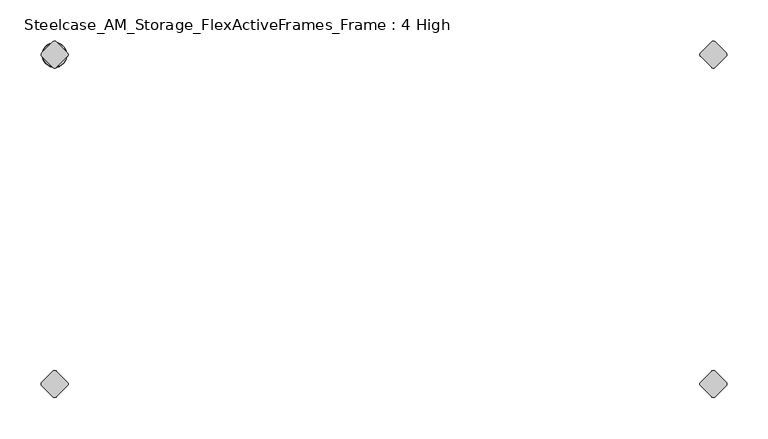
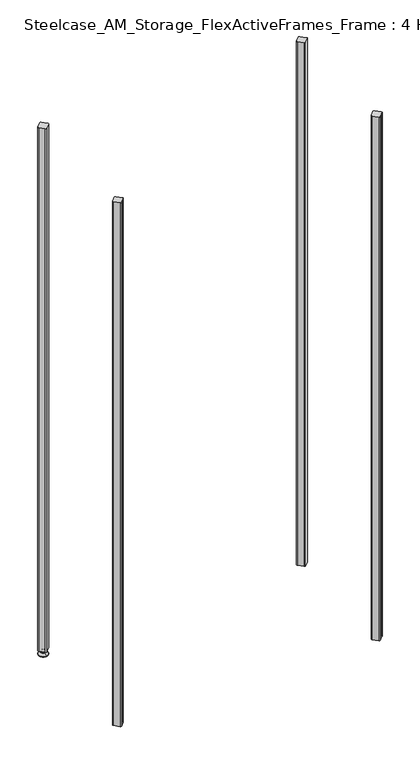
"""IFC4 building model written with IfcOpenShell, lengths in millimetres: furniture geometry, Steelcase_AM_Storage_FlexActiveFrames_Frame : 4 High."""

import ifcopenshell
import ifcopenshell.guid

model = None  # the IFC model being written
_history = None  # IfcOwnerHistory: only IFC2X3 demands one
_inside = {}  # id of a spatial element -> (the spatial element, [elements in it])
_under = {}  # id of a project, library or spatial element -> (it, [spatial elements below it])
_declared = {}  # id of a project -> (the project, [libraries it declares])
_typed = {}  # id of a type object -> (the type object, [elements of that type])
_made_of = {}  # id of a material, layer set ... -> (it, [elements and type objects made of it])


def new_model(schema):
    """Start an empty IFC model of exactly this schema.

    Asked for "IFC4X3", IfcOpenShell would pick the latest addendum, in which some entities
    have other attributes; the version numbers below select the first issue.
    IFC2X3 requires an IfcOwnerHistory on every rooted entity: one is made here for all.
    """
    global model, _history
    if schema == "IFC4X3":
        model = ifcopenshell.file(schema_version=(4, 3, 0, 0))
    else:
        model = ifcopenshell.file(schema=schema)
    _inside.clear()
    _under.clear()
    _declared.clear()
    _typed.clear()
    _made_of.clear()
    _history = None
    if model.schema == "IFC2X3":
        org = make("IfcOrganization", Name="unknown")
        user = make(
            "IfcPersonAndOrganization",
            ThePerson=make("IfcPerson", FamilyName="unknown"),
            TheOrganization=org,
        )
        app = make(
            "IfcApplication",
            ApplicationDeveloper=org,
            Version="unknown",
            ApplicationFullName="unknown",
            ApplicationIdentifier="unknown",
        )
        _history = make(
            "IfcOwnerHistory",
            OwningUser=user,
            OwningApplication=app,
            ChangeAction="ADDED",
            CreationDate=0,
        )
    return model


def make(cls, **values):
    """One entity of the class cls with the attributes given. An attribute that is None is left unset."""
    return model.create_entity(
        cls, **{name: value for name, value in values.items() if value is not None}
    )


def rooted(cls, **values):
    """An entity with a GlobalId (a new one), such as an element, a storey or a relation."""
    return make(cls, GlobalId=ifcopenshell.guid.new(), OwnerHistory=_history, **values)


def si_unit(unit_type, name, prefix=None):
    """IfcSIUnit, for example si_unit("LENGTHUNIT", "METRE", prefix="MILLI")."""
    return make("IfcSIUnit", UnitType=unit_type, Prefix=prefix, Name=name)


def assignment(units):
    """IfcUnitAssignment: the units of a project."""
    return None if units is None else make("IfcUnitAssignment", Units=units)


def point(xyz):
    """IfcCartesianPoint."""
    return None if xyz is None else make("IfcCartesianPoint", Coordinates=xyz)


def direction(xyz):
    """IfcDirection."""
    return None if xyz is None else make("IfcDirection", DirectionRatios=xyz)


def frame(location, z_axis=None, x_axis=None):
    """IfcAxis2Placement3D, a coordinate frame: its origin and axes. An axis left out is left unset."""
    return make(
        "IfcAxis2Placement3D",
        Location=point(location),
        Axis=direction(z_axis),
        RefDirection=direction(x_axis),
    )


def frame_2d(location, x_axis=None):
    """IfcAxis2Placement2D, a coordinate frame in the plane: its origin and x axis."""
    return make(
        "IfcAxis2Placement2D", Location=point(location), RefDirection=direction(x_axis)
    )


def origin():
    """The frame at (0, 0, 0) with its axes left unset."""
    return frame((0.0, 0.0, 0.0))


def place(relative_to, where):
    """IfcLocalPlacement: puts the frame where relative to a parent placement (None: the world)."""
    return make(
        "IfcLocalPlacement", PlacementRelTo=relative_to, RelativePlacement=where
    )


def context(
    kind, dimensions, precision=None, world=None, true_north=None, identifier=None
):
    """IfcGeometricRepresentationContext, for example the 3D "Model" context."""
    return make(
        "IfcGeometricRepresentationContext",
        ContextIdentifier=identifier,
        ContextType=kind,
        CoordinateSpaceDimension=dimensions,
        Precision=precision,
        WorldCoordinateSystem=world,
        TrueNorth=true_north,
    )


def project(units=None, contexts=None):
    """IfcProject with its units and contexts."""
    return rooted(
        "IfcProject",
        Name="project",
        RepresentationContexts=contexts,
        UnitsInContext=assignment(units),
    )


def spatial(cls, under=None, at=None, **own):
    """A site, building, storey or space (cls), placed at a placement, below another one or the project."""
    s = rooted(cls, ObjectPlacement=at, **own)
    if under is not None:
        _under.setdefault(under.id(), (under, []))[1].append(s)
    return s


def polyline(points):
    """IfcPolyline through the points."""
    return make("IfcPolyline", Points=[point(p) for p in points])


def circle_curve(where, radius):
    """IfcCircle in the frame where."""
    return make("IfcCircle", Position=where, Radius=radius)


def ellipse_curve(where, semi_axis1, semi_axis2):
    """IfcEllipse in the frame where."""
    return make(
        "IfcEllipse", Position=where, SemiAxis1=semi_axis1, SemiAxis2=semi_axis2
    )


def trimmed(basis, trim1, trim2, sense, master):
    """IfcTrimmedCurve: the piece of a basis curve between two trims."""
    return make(
        "IfcTrimmedCurve",
        BasisCurve=basis,
        Trim1=trim1,
        Trim2=trim2,
        SenseAgreement=sense,
        MasterRepresentation=master,
    )


def segment(curve, same_sense, transition):
    """IfcCompositeCurveSegment."""
    return make(
        "IfcCompositeCurveSegment",
        Transition=transition,
        SameSense=same_sense,
        ParentCurve=curve,
    )


def composite_curve(segments, self_intersect=None):
    """IfcCompositeCurve: segments joined end to end."""
    return make("IfcCompositeCurve", Segments=segments, SelfIntersect=self_intersect)


def outline(outer, holes=None, kind="AREA"):
    """IfcArbitraryClosedProfileDef: a profile drawn as a closed curve; with holes, ...WithVoids."""
    if holes is None:
        return make("IfcArbitraryClosedProfileDef", ProfileType=kind, OuterCurve=outer)
    return make(
        "IfcArbitraryProfileDefWithVoids",
        ProfileType=kind,
        OuterCurve=outer,
        InnerCurves=holes,
    )


def extrude(swept, where, along, depth):
    """IfcExtrudedAreaSolid: the profile swept, set in the frame where, extruded along a direction by depth."""
    return make(
        "IfcExtrudedAreaSolid",
        SweptArea=swept,
        Position=where,
        ExtrudedDirection=direction(along),
        Depth=depth,
    )


def shape(context_of_items, identifier, shape_type, items):
    """IfcShapeRepresentation: the items that make up one representation, for example the "Body"."""
    return make(
        "IfcShapeRepresentation",
        ContextOfItems=context_of_items,
        RepresentationIdentifier=identifier,
        RepresentationType=shape_type,
        Items=items,
    )


def source(mapping_origin, context_of_items, identifier, shape_type, items):
    """IfcRepresentationMap: a shape defined once, which mapped items show again and again."""
    return make(
        "IfcRepresentationMap",
        MappingOrigin=mapping_origin,
        MappedRepresentation=shape(context_of_items, identifier, shape_type, items),
    )


def transform(
    local_origin,
    x_axis=None,
    y_axis=None,
    z_axis=None,
    scale=None,
    scale2=None,
    scale3=None,
    uniform=True,
):
    """IfcCartesianTransformationOperator3D, or its non-uniform kind. x_axis, y_axis, z_axis: its Axis1, 2, 3."""
    if uniform:
        return make(
            "IfcCartesianTransformationOperator3D",
            Axis1=direction(x_axis),
            Axis2=direction(y_axis),
            LocalOrigin=point(local_origin),
            Scale=scale,
            Axis3=direction(z_axis),
        )
    return make(
        "IfcCartesianTransformationOperator3DnonUniform",
        Axis1=direction(x_axis),
        Axis2=direction(y_axis),
        LocalOrigin=point(local_origin),
        Scale=scale,
        Axis3=direction(z_axis),
        Scale2=scale2,
        Scale3=scale3,
    )


def mapped(mapping_source, mapping_target):
    """IfcMappedItem: shows the shape of a source again, moved by a transform."""
    return make(
        "IfcMappedItem", MappingSource=mapping_source, MappingTarget=mapping_target
    )


def made_of(thing, what):
    """Note that an element or type object is made of a material, layer set ...; save() writes the relation."""
    if what is not None:
        _made_of.setdefault(what.id(), (what, []))[1].append(thing)
    return thing


def element(
    cls,
    number,
    at=None,
    inside=None,
    cuts=None,
    type_object=None,
    material=None,
    context=None,
    identifier="Body",
    shape_type=None,
    held_by="IfcProductDefinitionShape",
    body=None,
    shapes=None,
    **own,
):
    """One element of the class cls, such as IfcWall. Its Tag is "e" and its number.

    at: its placement. inside: the storey or other place that contains it. cuts: it is an
    opening in that element (IfcRelVoidsElement). A single representation is given by context,
    identifier, shape_type and body (its items); several are given by shapes. held_by: the class
    of the entity that holds the representations. save() writes the other relations.
    """
    e = rooted(cls, Tag="e%d" % number, ObjectPlacement=at, **own)
    if body is not None:
        shapes = [shape(context, identifier, shape_type, body)]
    if shapes is not None:
        e.Representation = make(held_by, Representations=shapes)
    if inside is not None:
        _inside.setdefault(inside.id(), (inside, []))[1].append(e)
    if cuts is not None:
        rooted(
            "IfcRelVoidsElement", RelatingBuildingElement=cuts, RelatedOpeningElement=e
        )
    if type_object is not None:
        _typed.setdefault(type_object.id(), (type_object, []))[1].append(e)
    return made_of(e, material)


def aggregate(whole, parts):
    """IfcRelAggregates: a whole, such as a stair, and the parts it consists of."""
    return rooted("IfcRelAggregates", RelatingObject=whole, RelatedObjects=parts)


def save(model, path):
    """Write the relations noted so far, then the file.

    IfcRelAggregates (storeys below a building ...), IfcRelContainedInSpatialStructure (elements
    in a storey), IfcRelDefinesByType, IfcRelAssociatesMaterial and IfcRelDeclares: one each for
    every whole, place, type object, material and project.
    """
    for whole, parts in _under.values():
        aggregate(whole, parts)
    for where, things in _inside.values():
        rooted(
            "IfcRelContainedInSpatialStructure",
            RelatedElements=things,
            RelatingStructure=where,
        )
    for kind, things in _typed.values():
        rooted("IfcRelDefinesByType", RelatedObjects=things, RelatingType=kind)
    for what, things in _made_of.values():
        rooted("IfcRelAssociatesMaterial", RelatedObjects=things, RelatingMaterial=what)
    for by, libraries in _declared.values():
        rooted("IfcRelDeclares", RelatingContext=by, RelatedDefinitions=libraries)
    model.write(path)


def plane_surface(at):
    """IfcPlane: the flat surface through the origin of the frame at, square to its z axis."""
    return make("IfcPlane", Position=at)


def cylinder_surface(at, radius):
    """IfcCylindricalSurface: all points at the distance radius from the z axis of the frame at."""
    return make("IfcCylindricalSurface", Position=at, Radius=radius)


def revolved_surface(curve, axis_point, axis_direction):
    """IfcSurfaceOfRevolution: the curve turned about the line through axis_point along axis_direction."""
    return make(
        "IfcSurfaceOfRevolution",
        SweptCurve=make("IfcArbitraryOpenProfileDef", ProfileType="CURVE", Curve=curve),
        AxisPosition=make("IfcAxis1Placement", Location=point(axis_point), Axis=direction(axis_direction)),
    )


def advanced_brep(points, edges, surfaces, faces):
    """IfcAdvancedBrep: a solid bounded by faces that lie on surfaces and meet in shared edges.

    An edge is (start, end): straight between two places in points (the first is 0);
    or (start, end, curve); or (start, end, curve, False) where it runs against its curve.
    A face is (place in surfaces, loops), or (place, loops, False) where it looks against
    its surface's normal. A loop lists edges by number (the first is 1), with a minus sign
    where the edge is run from its end to its start. The first loop is the outer one.
    """
    corners = [point(p) for p in points]
    vertices = [make("IfcVertexPoint", VertexGeometry=c) for c in corners]
    made = []
    for start, end, *more in edges:
        made.append(
            make(
                "IfcEdgeCurve",
                EdgeStart=vertices[start],
                EdgeEnd=vertices[end],
                EdgeGeometry=more[0] if more else make("IfcPolyline", Points=[corners[start], corners[end]]),
                SameSense=more[1] if len(more) > 1 else True,
            )
        )
    hull = []
    for where, loops, *sense in faces:
        bounds = []
        for j, loop in enumerate(loops):
            ring = [make("IfcOrientedEdge", EdgeElement=made[abs(k) - 1], Orientation=k > 0) for k in loop]
            bounds.append(
                make(
                    "IfcFaceOuterBound" if j == 0 else "IfcFaceBound",
                    Bound=make("IfcEdgeLoop", EdgeList=ring),
                    Orientation=True,
                )
            )
        hull.append(make("IfcAdvancedFace", Bounds=bounds, FaceSurface=surfaces[where], SameSense=sense[0] if sense else True))
    return make("IfcAdvancedBrep", Outer=make("IfcClosedShell", CfsFaces=hull))


def steelcase_am_storage_flexactiveframes_frame_4_high_6aa34a74(model_context):
    return source(origin(), model_context, "Body", "SolidModel", [
        advanced_brep(
        [(0.0, 3.999659, 15.9766), (0.0, -3.999659, 15.9766), (0.0, 0.0, 15.9766), (0.0, 3.999659, 12.6000054), (0.0, -3.999659, 12.6000054), (0.0, 5.8601455, 12.6000054), (0.0, -5.8601455, 12.6000054), (0.0, 6.4951462, 11.9650074), (0.0, -6.4951462, 11.9650074), (0.0, 6.4951462, 9.0000124), (0.0, -6.4951462, 9.0000124), (0.0, 8.7421976, 9.0000124), (0.0, -8.7421976, 9.0000124), (0.0, 14.7060077, 2.3275608), (0.0, -14.7060077, 2.3275608), (0.0, 13.664601, 0.0), (0.0, -13.664601, 0.0), (0.0, 0.0, 0.0)],
        [
            (0, 1, circle_curve(frame((0.0, 0.0, 15.9766), z_axis=(0.0, 0.0, 1.0), x_axis=(0.0, -1.0, 0.0)), 3.999659)),
            (1, 2),
            (2, 0),
            (1, 0, circle_curve(frame((0.0, 0.0, 15.9766), z_axis=(0.0, 0.0, 1.0), x_axis=(0.0, -1.0, 0.0)), 3.999659)),
            (3, 4, circle_curve(frame((0.0, 0.0, 12.6000054), z_axis=(0.0, 0.0, 1.0), x_axis=(0.0, -1.0, 0.0)), 3.999659)),
            (4, 1),
            (0, 3),
            (4, 3, circle_curve(frame((0.0, 0.0, 12.6000054), z_axis=(0.0, 0.0, 1.0), x_axis=(0.0, -1.0, 0.0)), 3.999659)),
            (5, 6, circle_curve(frame((0.0, 0.0, 12.6000054), z_axis=(0.0, 0.0, 1.0), x_axis=(0.0, -1.0, 0.0)), 5.8601455)),
            (6, 4),
            (3, 5),
            (6, 5, circle_curve(frame((0.0, 0.0, 12.6000054), z_axis=(0.0, 0.0, 1.0), x_axis=(0.0, -1.0, 0.0)), 5.8601455)),
            (7, 8, circle_curve(frame((0.0, 0.0, 11.9650074), z_axis=(0.0, 0.0, 1.0), x_axis=(0.0, -1.0, 0.0)), 6.4951462)),
            (8, 6, circle_curve(frame((0.0, -5.8601462, 11.9650074), z_axis=(-1.0, 0.0, 0.0), x_axis=(0.0, 1.0, 0.0)), 0.635)),
            (5, 7, circle_curve(frame((0.0, 5.8601462, 11.9650074), z_axis=(-1.0, 0.0, 0.0), x_axis=(0.0, -1.0, 0.0)), 0.635)),
            (8, 7, circle_curve(frame((0.0, 0.0, 11.9650074), z_axis=(0.0, 0.0, 1.0), x_axis=(0.0, -1.0, 0.0)), 6.4951462)),
            (9, 10, circle_curve(frame((0.0, 0.0, 9.0000124), z_axis=(0.0, 0.0, 1.0), x_axis=(0.0, -1.0, 0.0)), 6.4951462)),
            (10, 8),
            (7, 9),
            (10, 9, circle_curve(frame((0.0, 0.0, 9.0000124), z_axis=(0.0, 0.0, 1.0), x_axis=(0.0, -1.0, 0.0)), 6.4951462)),
            (11, 12, circle_curve(frame((0.0, 0.0, 9.0000124), z_axis=(0.0, 0.0, 1.0), x_axis=(0.0, -1.0, 0.0)), 8.7421976)),
            (12, 10),
            (9, 11),
            (12, 11, circle_curve(frame((0.0, 0.0, 9.0000124), z_axis=(0.0, 0.0, 1.0), x_axis=(0.0, -1.0, 0.0)), 8.7421976)),
            (13, 14, circle_curve(frame((0.0, 0.0, 2.3275608), z_axis=(0.0, 0.0, 1.0), x_axis=(0.0, -1.0, 0.0)), 14.7060077)),
            (14, 12),
            (11, 13),
            (14, 13, circle_curve(frame((0.0, 0.0, 2.3275608), z_axis=(0.0, 0.0, 1.0), x_axis=(0.0, -1.0, 0.0)), 14.7060077)),
            (15, 16, circle_curve(frame((0.0, 0.0, 0.0), z_axis=(0.0, 0.0, 1.0), x_axis=(0.0, -1.0, 0.0)), 13.664601)),
            (16, 14, circle_curve(frame((0.0, -13.664601, 1.3967556), z_axis=(-1.0, 0.0, 0.0), x_axis=(0.0, 1.0, 0.0)), 1.3967556)),
            (13, 15, circle_curve(frame((0.0, 13.664601, 1.3967556), z_axis=(-1.0, 0.0, 0.0), x_axis=(0.0, -1.0, 0.0)), 1.3967556)),
            (16, 15, circle_curve(frame((0.0, 0.0, 0.0), z_axis=(0.0, 0.0, 1.0), x_axis=(0.0, -1.0, 0.0)), 13.664601)),
            (17, 16),
            (15, 17),
        ],
        [
            plane_surface(frame((0.0, 0.0, 15.9766), z_axis=(0.0, 0.0, 1.0), x_axis=(0.0, -1.0, 0.0))),
            cylinder_surface(frame((0.0, 0.0, -4.132372), z_axis=(0.0, 0.0, -1.0), x_axis=(0.0, -1.0, 0.0)), 3.999659),
            plane_surface(frame((0.0, 0.0, 12.6000054), z_axis=(0.0, 0.0, 1.0), x_axis=(0.0, -1.0, 0.0))),
            revolved_surface(trimmed(ellipse_curve(frame((0.0, -5.8601462, 11.9650074), z_axis=(1.0, 0.0, 0.0), x_axis=(0.0, 1.0, 0.0)), 0.635, 0.635), [point((0.0, -5.8601455, 12.6000074))], [point((0.0, -6.4951462, 11.9650074))], True, "CARTESIAN"), (0.0, 0.0, -4.132372), (0.0, 0.0, -1.0)),
            cylinder_surface(frame((0.0, 0.0, -4.132372), z_axis=(0.0, 0.0, -1.0), x_axis=(0.0, -1.0, 0.0)), 6.4951462),
            plane_surface(frame((0.0, 0.0, 9.0000124), z_axis=(0.0, 0.0, 1.0), x_axis=(0.0, -1.0, 0.0))),
            revolved_surface(polyline([(0.0, -8.7421976, 9.0000124), (0.0, -14.7060077, 2.3275608)]), (0.0, 0.0, -4.132372), (0.0, 0.0, -1.0)),
            revolved_surface(trimmed(ellipse_curve(frame((0.0, -13.664601, 1.3967556), z_axis=(1.0, 0.0, 0.0), x_axis=(0.0, 1.0, 0.0)), 1.3967556, 1.3967556), [point((0.0, -14.7060077, 2.3275608))], [point((0.0, -13.664601, 0.0))], True, "CARTESIAN"), (0.0, 0.0, -4.132372), (0.0, 0.0, -1.0)),
            plane_surface(frame((0.0, 0.0, 0.0), z_axis=(0.0, 0.0, -1.0), x_axis=(0.0, -1.0, 0.0))),
        ],
        [
            (0, [[1, 2, 3]]),
            (0, [[4, -3, -2]]),
            (1, [[5, 6, -1, 7]]),
            (1, [[8, -7, -4, -6]]),
            (2, [[9, 10, -5, 11]]),
            (2, [[12, -11, -8, -10]]),
            (3, [[13, 14, -9, 15]]),
            (3, [[16, -15, -12, -14]]),
            (4, [[17, 18, -13, 19]]),
            (4, [[20, -19, -16, -18]]),
            (5, [[21, 22, -17, 23]]),
            (5, [[24, -23, -20, -22]]),
            (6, [[25, 26, -21, 27]]),
            (6, [[28, -27, -24, -26]]),
            (7, [[29, 30, -25, 31]]),
            (7, [[32, -31, -28, -30]]),
            (8, [[33, -29, 34]]),
            (8, [[-34, -32, -33]]),
        ],
    ),
        extrude(outline(composite_curve([segment(polyline([(-2.245064, -15.4326055), (-15.4326055, -2.245064)]), True, "CONTINUOUS"), segment(trimmed(circle_curve(frame_2d((-13.1875415, 0.0)), 3.175), [point((-15.4326055, -2.245064))], [point((-15.4326055, 2.245064))], False, "CARTESIAN"), True, "CONTINUOUS"), segment(polyline([(-15.4326055, 2.245064), (-2.245064, 15.4326055)]), True, "CONTINUOUS"), segment(trimmed(circle_curve(frame_2d((0.0, 13.1875415)), 3.175), [point((-2.245064, 15.4326055))], [point((2.245064, 15.4326055))], False, "CARTESIAN"), True, "CONTINUOUS"), segment(polyline([(2.245064, 15.4326055), (15.4326055, 2.245064)]), True, "CONTINUOUS"), segment(trimmed(circle_curve(frame_2d((13.1875415, 0.0)), 3.175), [point((15.4326055, 2.245064))], [point((15.4326055, -2.245064))], False, "CARTESIAN"), True, "CONTINUOUS"), segment(polyline([(15.4326055, -2.245064), (2.245064, -15.4326055)]), True, "CONTINUOUS"), segment(trimmed(circle_curve(frame_2d((0.0, -13.1875415)), 3.175), [point((2.245064, -15.4326055))], [point((-2.245064, -15.4326055))], False, "CARTESIAN"), True, "CONTINUOUS")], self_intersect=False)), frame((0.0, 0.0, 15.9766), z_axis=(0.0, 0.0, 1.0), x_axis=(1.0, 0.0, 0.0)), (0.0, 0.0, 1.0), 1709.9534),
        extrude(outline(composite_curve([segment(trimmed(circle_curve(frame_2d((800.1, -13.1875415)), 3.175), [point((802.345064, -15.4326055))], [point((797.854936, -15.4326055))], False, "CARTESIAN"), True, "CONTINUOUS"), segment(polyline([(797.854936, -15.4326055), (784.6673945, -2.245064)]), True, "CONTINUOUS"), segment(trimmed(circle_curve(frame_2d((786.9124585, 0.0)), 3.175), [point((784.6673945, -2.245064))], [point((784.6673945, 2.245064))], False, "CARTESIAN"), True, "CONTINUOUS"), segment(polyline([(784.6673945, 2.245064), (797.854936, 15.4326055)]), True, "CONTINUOUS"), segment(trimmed(circle_curve(frame_2d((800.1, 13.1875415)), 3.175), [point((797.854936, 15.4326055))], [point((802.345064, 15.4326055))], False, "CARTESIAN"), True, "CONTINUOUS"), segment(polyline([(802.345064, 15.4326055), (815.5326055, 2.245064)]), True, "CONTINUOUS"), segment(trimmed(circle_curve(frame_2d((813.2875415, 0.0)), 3.175), [point((815.5326055, 2.245064))], [point((815.5326055, -2.245064))], False, "CARTESIAN"), True, "CONTINUOUS"), segment(polyline([(815.5326055, -2.245064), (802.345064, -15.4326055)]), True, "CONTINUOUS")], self_intersect=False)), frame((0.0, 0.0, 15.9766), z_axis=(0.0, 0.0, 1.0), x_axis=(1.0, 0.0, 0.0)), (0.0, 0.0, 1.0), 1709.9534),
        extrude(outline(composite_curve([segment(polyline([(802.345064, -384.6173945), (815.5326055, -397.804936)]), True, "CONTINUOUS"), segment(trimmed(circle_curve(frame_2d((813.2875415, -400.05)), 3.175), [point((815.5326055, -397.804936))], [point((815.5326055, -402.295064))], False, "CARTESIAN"), True, "CONTINUOUS"), segment(polyline([(815.5326055, -402.295064), (802.345064, -415.4826055)]), True, "CONTINUOUS"), segment(trimmed(circle_curve(frame_2d((800.1, -413.2375415)), 3.175), [point((802.345064, -415.4826055))], [point((797.854936, -415.4826055))], False, "CARTESIAN"), True, "CONTINUOUS"), segment(polyline([(797.854936, -415.4826055), (784.6673945, -402.295064)]), True, "CONTINUOUS"), segment(trimmed(circle_curve(frame_2d((786.9124585, -400.05)), 3.175), [point((784.6673945, -402.295064))], [point((784.6673945, -397.804936))], False, "CARTESIAN"), True, "CONTINUOUS"), segment(polyline([(784.6673945, -397.804936), (797.854936, -384.6173945)]), True, "CONTINUOUS"), segment(trimmed(circle_curve(frame_2d((800.1, -386.8624585)), 3.175), [point((797.854936, -384.6173945))], [point((802.345064, -384.6173945))], False, "CARTESIAN"), True, "CONTINUOUS")], self_intersect=False)), frame((0.0, 0.0, 15.9766), z_axis=(0.0, 0.0, 1.0), x_axis=(1.0, 0.0, 0.0)), (0.0, 0.0, 1.0), 1709.9534),
        extrude(outline(composite_curve([segment(trimmed(circle_curve(frame_2d((0.0, -386.8624585)), 3.175), [point((-2.245064, -384.6173945))], [point((2.245064, -384.6173945))], False, "CARTESIAN"), True, "CONTINUOUS"), segment(polyline([(2.245064, -384.6173945), (15.4326055, -397.804936)]), True, "CONTINUOUS"), segment(trimmed(circle_curve(frame_2d((13.1875415, -400.05)), 3.175), [point((15.4326055, -397.804936))], [point((15.4326055, -402.295064))], False, "CARTESIAN"), True, "CONTINUOUS"), segment(polyline([(15.4326055, -402.295064), (2.245064, -415.4826055)]), True, "CONTINUOUS"), segment(trimmed(circle_curve(frame_2d((0.0, -413.2375415)), 3.175), [point((2.245064, -415.4826055))], [point((-2.245064, -415.4826055))], False, "CARTESIAN"), True, "CONTINUOUS"), segment(polyline([(-2.245064, -415.4826055), (-15.4326055, -402.295064)]), True, "CONTINUOUS"), segment(trimmed(circle_curve(frame_2d((-13.1875415, -400.05)), 3.175), [point((-15.4326055, -402.295064))], [point((-15.4326055, -397.804936))], False, "CARTESIAN"), True, "CONTINUOUS"), segment(polyline([(-15.4326055, -397.804936), (-2.245064, -384.6173945)]), True, "CONTINUOUS")], self_intersect=False)), frame((0.0, 0.0, 15.9766), z_axis=(0.0, 0.0, 1.0), x_axis=(1.0, 0.0, 0.0)), (0.0, 0.0, 1.0), 1709.9534),
    ])


if __name__ == "__main__":
    model = new_model("IFC4")
    model_context = context("Model", 3, world=origin())
    ifc_project = project(units=[si_unit("LENGTHUNIT", "METRE", prefix="MILLI")], contexts=[model_context])
    site = spatial("IfcSite", under=ifc_project)
    building = spatial("IfcBuilding", under=site)
    placement = place(None, origin())
    steelcase_am_storage_flexactiveframes_frame_4_high_shape = steelcase_am_storage_flexactiveframes_frame_4_high_6aa34a74(model_context)
    element("IfcFurniture", 1, ObjectType="Steelcase_AM_Storage_FlexActiveFrames_Frame : 4 High", at=placement, inside=building, context=model_context, shape_type="MappedRepresentation", body=[
        mapped(steelcase_am_storage_flexactiveframes_frame_4_high_shape, transform((0.0, 0.0, 0.0), x_axis=(1.0, 0.0, 0.0), y_axis=(0.0, 1.0, 0.0), z_axis=(0.0, 0.0, 1.0))),
    ])
    save(model, "model.ifc")
